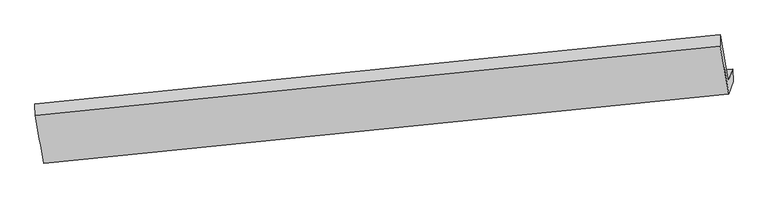
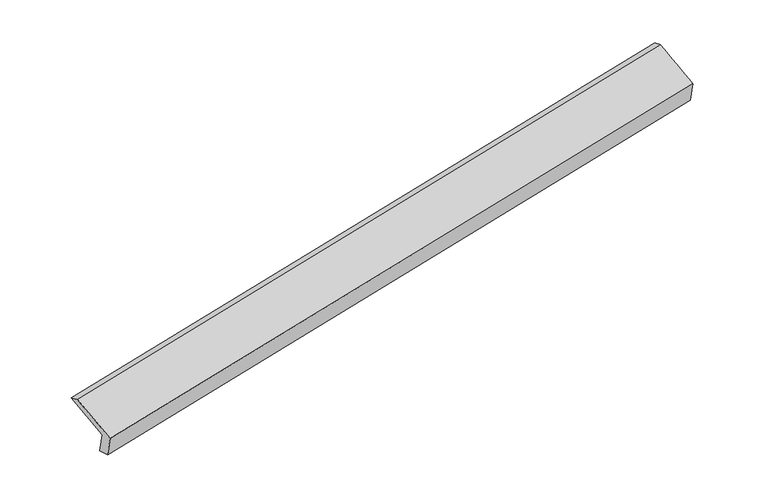
"""IFC4 building model written with IfcOpenShell, lengths in millimetres: proxy geometry."""

from ifc_helpers import new_model, si_unit, frame, origin, place, context, project, spatial, source, transform, mapped, element, save
from ifc_brep_helpers import plane_surface, spline_surface, advanced_brep


def generic_models_372a7d8e(model_context):
    return source(origin(), model_context, "Body", "AdvancedBrep", [
        advanced_brep(
        [(-7588.8530261, -1997.3880508, 622.3789704), (-7646.6029246, -2167.0743955, 1007.2967457), (1957.7391322, -1211.4751244, 2867.5586379), (2015.4890306, -1041.7887796, 2482.6408626), (-7577.4814828, -2187.1685167, 664.8949235), (2022.8007762, -1213.4185093, 2532.5492495), (-7637.1570639, -2362.5130889, 1062.6478643), (1963.1251951, -1388.7630815, 2930.3021903), (-7761.3674011, -1689.883319, 1340.5330635), (1842.6113802, -715.7586934, 3208.9071312), (-7763.5462177, -1533.797471, 1268.9240067), (1841.0114398, -559.6141801, 3137.4107861)],
        [
            (0, 1),
            (1, 2),
            (2, 3),
            (3, 0),
            (4, 0),
            (3, 5),
            (5, 4),
            (6, 4),
            (5, 7),
            (7, 6),
            (8, 6),
            (7, 9),
            (9, 8),
            (10, 8),
            (9, 11),
            (11, 10),
            (1, 10),
            (11, 2),
        ],
        [
            plane_surface(frame((-7617.7279754, -2082.2312232, 814.8378581), z_axis=(-0.16376379405152364, 0.9115132713394554, 0.3772598254915232), x_axis=(-0.1360082224357715, -0.39963253157932466, 0.9065294276157624))),
            spline_surface(1, 1, [[(-7577.4814828, -2187.1685167, 664.8949235), (2022.8007762, -1213.4185093, 2532.5492495)], [(-7588.8530261, -1997.3880508, 622.3789704), (2015.4890306, -1041.7887796, 2482.6408626)]], [2, 2], [2, 2], [0.0, 1.0], [0.0, 1.0]),
            plane_surface(frame((-7607.3192734, -2274.8408028, 863.7713939), z_axis=(0.16575152380239805, -0.9113137203690873, -0.37687363323033896), x_axis=(0.1360082224357792, 0.39963253157940476, -0.9065294276157259))),
            spline_surface(1, 1, [[(-7761.3674011, -1689.883319, 1340.5330635), (1842.6113802, -715.7586934, 3208.9071312)], [(-7637.1570639, -2362.5130889, 1062.6478643), (1963.1251951, -1388.7630815, 2930.3021903)]], [2, 2], [2, 2], [0.0, 1.0], [0.0, 1.0]),
            spline_surface(1, 1, [[(-7763.5462177, -1533.797471, 1268.9240067), (1841.0114398, -559.6141801, 3137.4107861)], [(-7761.3674011, -1689.883319, 1340.5330635), (1842.6113802, -715.7586934, 3208.9071312)]], [2, 2], [2, 2], [0.0, 1.0], [0.0, 1.0]),
            spline_surface(1, 1, [[(-7646.6029246, -2167.0743955, 1007.2967457), (1957.7391322, -1211.4751244, 2867.5586379)], [(-7763.5462177, -1533.797471, 1268.9240067), (1841.0114398, -559.6141801, 3137.4107861)]], [2, 2], [2, 2], [0.0, 1.0], [0.0, 1.0]),
            plane_surface(frame((1940.4628257, -1021.8030614, 2859.8948096), z_axis=(0.977167777606677, 0.09665076559447723, 0.18921354052294853), x_axis=(0.16323264942126584, -0.9115659434256346, -0.37736273391717823))),
            plane_surface(frame((-7662.5013527, -1989.6374737, 994.445929), z_axis=(-0.9763182054745418, -0.10132220186676792, -0.19114542387365818), x_axis=(0.1360082224358504, 0.39963253157931267, -0.9065294276157558))),
        ],
        [
            (0, [[1, 2, 3, 4]]),
            (1, [[5, -4, 6, 7]]),
            (2, [[8, -7, 9, 10]]),
            (3, [[11, -10, 12, 13]]),
            (4, [[14, -13, 15, 16]]),
            (5, [[17, -16, 18, -2]]),
            (6, [[-12, -9, -6, -3, -18, -15]]),
            (7, [[-1, -5, -8, -11, -14, -17]]),
        ],
    ),
    ])


if __name__ == "__main__":
    model = new_model("IFC4")
    model_context = context("Model", 3, world=origin())
    ifc_project = project(units=[si_unit("LENGTHUNIT", "METRE", prefix="MILLI")], contexts=[model_context])
    site = spatial("IfcSite", under=ifc_project)
    building = spatial("IfcBuilding", under=site)
    placement = place(None, origin())
    generic_models_shape = generic_models_372a7d8e(model_context)
    element("IfcBuildingElementProxy", 1, Name="Generic Models", at=placement, inside=building, context=model_context, shape_type="MappedRepresentation", body=[
        mapped(generic_models_shape, transform((0.0, 0.0, 0.0), x_axis=(1.0, 0.0, 0.0), y_axis=(0.0, 1.0, 0.0), z_axis=(0.0, 0.0, 1.0))),
    ])
    save(model, "model.ifc")
